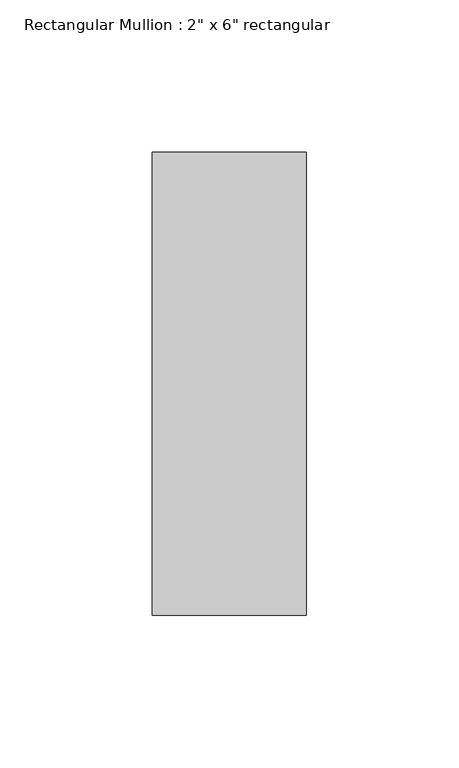
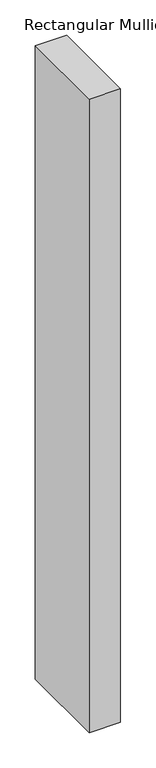
"""IFC4 building model written with IfcOpenShell, lengths in millimetres: member geometry."""

from ifc_helpers import new_model, si_unit, frame, origin, place, context, project, spatial, polyline, outline, extrude, source, transform, mapped, element, save


def member_eca85511(model_context):
    return source(origin(), model_context, "Body", "SweptSolid", [
        extrude(outline(polyline([(0.0, 76.2), (0.0, -76.2), (-50.8, -76.2), (-50.8, 76.2), (0.0, 76.2)])), frame((0.0, 0.0, -1092.2), z_axis=(0.0, 0.0, 1.0), x_axis=(1.0, 0.0, 0.0)), (0.0, 0.0, 1.0), 1092.2),
    ])


if __name__ == "__main__":
    model = new_model("IFC4")
    model_context = context("Model", 3, world=origin())
    ifc_project = project(units=[si_unit("LENGTHUNIT", "METRE", prefix="MILLI")], contexts=[model_context])
    site = spatial("IfcSite", under=ifc_project)
    building = spatial("IfcBuilding", under=site)
    placement = place(None, origin())
    member_shape = member_eca85511(model_context)
    element("IfcMember", 1, ObjectType="Rectangular Mullion : 2\" x 6\" rectangular", at=placement, inside=building, context=model_context, shape_type="MappedRepresentation", body=[
        mapped(member_shape, transform((0.0, 0.0, 0.0), x_axis=(1.0, 0.0, 0.0), y_axis=(0.0, 1.0, 0.0), z_axis=(0.0, 0.0, 1.0))),
    ])
    save(model, "model.ifc")
